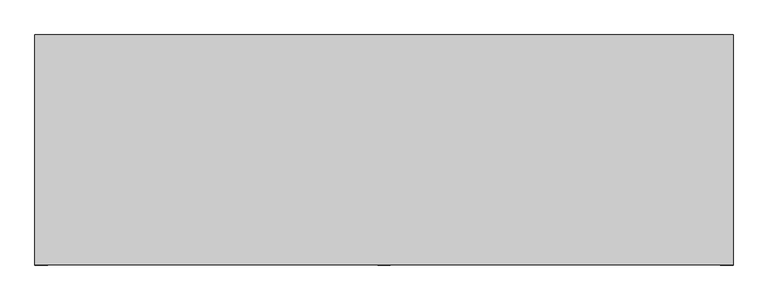
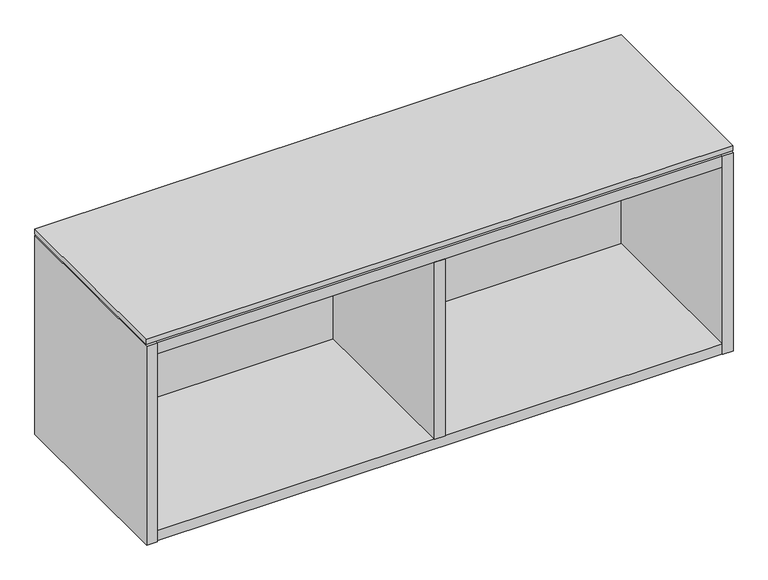
"""IFC4 building model written with IfcOpenShell, lengths in millimetres: furniture geometry."""

import ifcopenshell
import ifcopenshell.guid

model = None  # the IFC model being written
_history = None  # IfcOwnerHistory: only IFC2X3 demands one
_inside = {}  # id of a spatial element -> (the spatial element, [elements in it])
_under = {}  # id of a project, library or spatial element -> (it, [spatial elements below it])
_declared = {}  # id of a project -> (the project, [libraries it declares])
_typed = {}  # id of a type object -> (the type object, [elements of that type])
_made_of = {}  # id of a material, layer set ... -> (it, [elements and type objects made of it])


def new_model(schema):
    """Start an empty IFC model of exactly this schema.

    Asked for "IFC4X3", IfcOpenShell would pick the latest addendum, in which some entities
    have other attributes; the version numbers below select the first issue.
    IFC2X3 requires an IfcOwnerHistory on every rooted entity: one is made here for all.
    """
    global model, _history
    if schema == "IFC4X3":
        model = ifcopenshell.file(schema_version=(4, 3, 0, 0))
    else:
        model = ifcopenshell.file(schema=schema)
    _inside.clear()
    _under.clear()
    _declared.clear()
    _typed.clear()
    _made_of.clear()
    _history = None
    if model.schema == "IFC2X3":
        org = make("IfcOrganization", Name="unknown")
        user = make(
            "IfcPersonAndOrganization",
            ThePerson=make("IfcPerson", FamilyName="unknown"),
            TheOrganization=org,
        )
        app = make(
            "IfcApplication",
            ApplicationDeveloper=org,
            Version="unknown",
            ApplicationFullName="unknown",
            ApplicationIdentifier="unknown",
        )
        _history = make(
            "IfcOwnerHistory",
            OwningUser=user,
            OwningApplication=app,
            ChangeAction="ADDED",
            CreationDate=0,
        )
    return model


def make(cls, **values):
    """One entity of the class cls with the attributes given. An attribute that is None is left unset."""
    return model.create_entity(
        cls, **{name: value for name, value in values.items() if value is not None}
    )


def rooted(cls, **values):
    """An entity with a GlobalId (a new one), such as an element, a storey or a relation."""
    return make(cls, GlobalId=ifcopenshell.guid.new(), OwnerHistory=_history, **values)


def si_unit(unit_type, name, prefix=None):
    """IfcSIUnit, for example si_unit("LENGTHUNIT", "METRE", prefix="MILLI")."""
    return make("IfcSIUnit", UnitType=unit_type, Prefix=prefix, Name=name)


def assignment(units):
    """IfcUnitAssignment: the units of a project."""
    return None if units is None else make("IfcUnitAssignment", Units=units)


def point(xyz):
    """IfcCartesianPoint."""
    return None if xyz is None else make("IfcCartesianPoint", Coordinates=xyz)


def direction(xyz):
    """IfcDirection."""
    return None if xyz is None else make("IfcDirection", DirectionRatios=xyz)


def frame(location, z_axis=None, x_axis=None):
    """IfcAxis2Placement3D, a coordinate frame: its origin and axes. An axis left out is left unset."""
    return make(
        "IfcAxis2Placement3D",
        Location=point(location),
        Axis=direction(z_axis),
        RefDirection=direction(x_axis),
    )


def origin():
    """The frame at (0, 0, 0) with its axes left unset."""
    return frame((0.0, 0.0, 0.0))


def place(relative_to, where):
    """IfcLocalPlacement: puts the frame where relative to a parent placement (None: the world)."""
    return make(
        "IfcLocalPlacement", PlacementRelTo=relative_to, RelativePlacement=where
    )


def context(
    kind, dimensions, precision=None, world=None, true_north=None, identifier=None
):
    """IfcGeometricRepresentationContext, for example the 3D "Model" context."""
    return make(
        "IfcGeometricRepresentationContext",
        ContextIdentifier=identifier,
        ContextType=kind,
        CoordinateSpaceDimension=dimensions,
        Precision=precision,
        WorldCoordinateSystem=world,
        TrueNorth=true_north,
    )


def project(units=None, contexts=None):
    """IfcProject with its units and contexts."""
    return rooted(
        "IfcProject",
        Name="project",
        RepresentationContexts=contexts,
        UnitsInContext=assignment(units),
    )


def spatial(cls, under=None, at=None, **own):
    """A site, building, storey or space (cls), placed at a placement, below another one or the project."""
    s = rooted(cls, ObjectPlacement=at, **own)
    if under is not None:
        _under.setdefault(under.id(), (under, []))[1].append(s)
    return s


def polyline(points):
    """IfcPolyline through the points."""
    return make("IfcPolyline", Points=[point(p) for p in points])


def outline(outer, holes=None, kind="AREA"):
    """IfcArbitraryClosedProfileDef: a profile drawn as a closed curve; with holes, ...WithVoids."""
    if holes is None:
        return make("IfcArbitraryClosedProfileDef", ProfileType=kind, OuterCurve=outer)
    return make(
        "IfcArbitraryProfileDefWithVoids",
        ProfileType=kind,
        OuterCurve=outer,
        InnerCurves=holes,
    )


def extrude(swept, where, along, depth):
    """IfcExtrudedAreaSolid: the profile swept, set in the frame where, extruded along a direction by depth."""
    return make(
        "IfcExtrudedAreaSolid",
        SweptArea=swept,
        Position=where,
        ExtrudedDirection=direction(along),
        Depth=depth,
    )


def faces_of(points, faces, orient=None, outer=None):
    """IfcFace entities. A face is a list of loops; a loop is a list of indices into points, from 0.

    orient and outer hold one flag for each loop. By default every Orientation is true, the
    first loop of a face is its IfcFaceOuterBound and the others are IfcFaceBound.
    """
    made = []
    for i, loops in enumerate(faces):
        bounds = []
        for j, loop in enumerate(loops):
            is_outer = j == 0 if outer is None else outer[i][j]
            bounds.append(
                make(
                    "IfcFaceOuterBound" if is_outer else "IfcFaceBound",
                    Bound=make("IfcPolyLoop", Polygon=[points[k] for k in loop]),
                    Orientation=True if orient is None else orient[i][j],
                )
            )
        made.append(make("IfcFace", Bounds=bounds))
    return made


def faceted_brep(points, faces, orient=None, outer=None, voids=None):
    """IfcFacetedBrep: a solid bounded by flat faces; with voids (closed shells), ...WithVoids."""
    shared = [point(p) for p in points]
    hull = make("IfcClosedShell", CfsFaces=faces_of(shared, faces, orient, outer))
    if voids is None:
        return make("IfcFacetedBrep", Outer=hull)
    return make(
        "IfcFacetedBrepWithVoids",
        Outer=hull,
        Voids=[
            make(cls, CfsFaces=faces_of(shared, fs, o, b)) for cls, fs, o, b in voids
        ],
    )


def shape(context_of_items, identifier, shape_type, items):
    """IfcShapeRepresentation: the items that make up one representation, for example the "Body"."""
    return make(
        "IfcShapeRepresentation",
        ContextOfItems=context_of_items,
        RepresentationIdentifier=identifier,
        RepresentationType=shape_type,
        Items=items,
    )


def source(mapping_origin, context_of_items, identifier, shape_type, items):
    """IfcRepresentationMap: a shape defined once, which mapped items show again and again."""
    return make(
        "IfcRepresentationMap",
        MappingOrigin=mapping_origin,
        MappedRepresentation=shape(context_of_items, identifier, shape_type, items),
    )


def transform(
    local_origin,
    x_axis=None,
    y_axis=None,
    z_axis=None,
    scale=None,
    scale2=None,
    scale3=None,
    uniform=True,
):
    """IfcCartesianTransformationOperator3D, or its non-uniform kind. x_axis, y_axis, z_axis: its Axis1, 2, 3."""
    if uniform:
        return make(
            "IfcCartesianTransformationOperator3D",
            Axis1=direction(x_axis),
            Axis2=direction(y_axis),
            LocalOrigin=point(local_origin),
            Scale=scale,
            Axis3=direction(z_axis),
        )
    return make(
        "IfcCartesianTransformationOperator3DnonUniform",
        Axis1=direction(x_axis),
        Axis2=direction(y_axis),
        LocalOrigin=point(local_origin),
        Scale=scale,
        Axis3=direction(z_axis),
        Scale2=scale2,
        Scale3=scale3,
    )


def mapped(mapping_source, mapping_target):
    """IfcMappedItem: shows the shape of a source again, moved by a transform."""
    return make(
        "IfcMappedItem", MappingSource=mapping_source, MappingTarget=mapping_target
    )


def made_of(thing, what):
    """Note that an element or type object is made of a material, layer set ...; save() writes the relation."""
    if what is not None:
        _made_of.setdefault(what.id(), (what, []))[1].append(thing)
    return thing


def element(
    cls,
    number,
    at=None,
    inside=None,
    cuts=None,
    type_object=None,
    material=None,
    context=None,
    identifier="Body",
    shape_type=None,
    held_by="IfcProductDefinitionShape",
    body=None,
    shapes=None,
    **own,
):
    """One element of the class cls, such as IfcWall. Its Tag is "e" and its number.

    at: its placement. inside: the storey or other place that contains it. cuts: it is an
    opening in that element (IfcRelVoidsElement). A single representation is given by context,
    identifier, shape_type and body (its items); several are given by shapes. held_by: the class
    of the entity that holds the representations. save() writes the other relations.
    """
    e = rooted(cls, Tag="e%d" % number, ObjectPlacement=at, **own)
    if body is not None:
        shapes = [shape(context, identifier, shape_type, body)]
    if shapes is not None:
        e.Representation = make(held_by, Representations=shapes)
    if inside is not None:
        _inside.setdefault(inside.id(), (inside, []))[1].append(e)
    if cuts is not None:
        rooted(
            "IfcRelVoidsElement", RelatingBuildingElement=cuts, RelatedOpeningElement=e
        )
    if type_object is not None:
        _typed.setdefault(type_object.id(), (type_object, []))[1].append(e)
    return made_of(e, material)


def aggregate(whole, parts):
    """IfcRelAggregates: a whole, such as a stair, and the parts it consists of."""
    return rooted("IfcRelAggregates", RelatingObject=whole, RelatedObjects=parts)


def save(model, path):
    """Write the relations noted so far, then the file.

    IfcRelAggregates (storeys below a building ...), IfcRelContainedInSpatialStructure (elements
    in a storey), IfcRelDefinesByType, IfcRelAssociatesMaterial and IfcRelDeclares: one each for
    every whole, place, type object, material and project.
    """
    for whole, parts in _under.values():
        aggregate(whole, parts)
    for where, things in _inside.values():
        rooted(
            "IfcRelContainedInSpatialStructure",
            RelatedElements=things,
            RelatingStructure=where,
        )
    for kind, things in _typed.values():
        rooted("IfcRelDefinesByType", RelatedObjects=things, RelatingType=kind)
    for what, things in _made_of.values():
        rooted("IfcRelAssociatesMaterial", RelatedObjects=things, RelatingMaterial=what)
    for by, libraries in _declared.values():
        rooted("IfcRelDeclares", RelatingContext=by, RelatedDefinitions=libraries)
    model.write(path)


def furniture_131617eb(model_context):
    return source(origin(), model_context, "Body", "SolidModel", [
        extrude(outline(polyline([(606.6234375, -191.0115724), (-457.2, -191.0115724), (-457.2, 158.8226276), (606.6234375, 158.8226276), (606.6234375, -191.0115724)])), frame((0.0, 0.0, 689.102), z_axis=(0.0, 0.0, 1.0), x_axis=(1.0, 0.0, 0.0)), (0.0, 0.0, 1.0), 9.779),
        extrude(outline(polyline([(-437.896, 145.5282676), (-437.896, 158.8226276), (587.3194375, 158.8226276), (587.3194375, 145.5282676), (-437.896, 145.5282676)])), frame((0.0, 0.0, 587.91475), z_axis=(0.0, 0.0, 1.0), x_axis=(1.0, 0.0, 0.0)), (0.0, 0.0, 1.0), 76.2),
        extrude(outline(polyline([(84.3637187, -191.7735724), (65.0597187, -191.7735724), (65.0597187, 126.2242676), (84.3637187, 126.2242676), (84.3637187, -191.7735724)])), frame((0.0, 0.0, 324.866), z_axis=(0.0, 0.0, 1.0), x_axis=(1.0, 0.0, 0.0)), (0.0, 0.0, 1.0), 339.24875),
        faceted_brep([(587.3194375, -191.0115724, 324.866), (-437.896, -191.0115724, 324.866), (-437.896, -191.0115724, 305.562), (587.3194375, -191.0115724, 305.562), (-437.896, 145.5282676, 664.11475), (587.3194375, 145.5282676, 664.11475), (587.3194375, 145.5282676, 304.8), (-437.896, 145.5282676, 304.8), (587.3194375, 126.2242676, 324.866), (-437.896, 126.2242676, 324.866), (-437.896, 126.2242676, 305.562), (587.3194375, 126.2242676, 305.562), (-437.896, 158.8226276, 685.8), (-457.2, 158.8226276, 685.8), (-457.2, -191.7735724, 685.8), (-437.896, -191.7735724, 685.8), (587.3194375, -191.7735724, 685.8), (606.6234375, -191.7735724, 685.8), (606.6234375, 158.8226276, 685.8), (587.3194375, 158.8226276, 685.8), (-437.896, -191.7735724, 304.8), (-457.2, -191.7735724, 304.8), (-457.2, 158.8226276, 304.8), (-437.896, 158.8226276, 304.8), (587.3194375, 158.8226276, 304.8), (606.6234375, 158.8226276, 304.8), (606.6234375, -191.7735724, 304.8), (587.3194375, -191.7735724, 304.8), (587.3194375, 126.2242676, 304.8), (-437.896, 126.2242676, 304.8), (-437.896, 158.8226276, 685.038), (587.3194375, 158.8226276, 685.038), (587.3194375, 158.8226276, 664.11475), (-437.896, 158.8226276, 664.11475), (-437.896, 126.2242676, 664.11475), (-437.896, -191.0115724, 664.11475), (-437.896, -191.0115724, 685.038), (587.3194375, -191.0115724, 685.038), (587.3194375, -191.0115724, 664.11475), (587.3194375, 126.2242676, 664.11475)], [[[0, 1, 2, 3]], [[4, 5, 6, 7]], [[1, 0, 8, 9]], [[3, 2, 10, 11]], [[12, 13, 14, 15]], [[16, 17, 18, 19]], [[20, 21, 22, 23, 7, 6, 24, 25, 26, 27, 28, 29]], [[13, 12, 30, 31, 19, 18, 25, 24, 32, 33, 23, 22]], [[14, 13, 22, 21]], [[15, 14, 21, 20]], [[4, 7, 23, 33]], [[12, 15, 20, 29, 10, 2, 1, 9, 34, 35, 36, 30]], [[6, 5, 32, 24]], [[16, 19, 31, 37, 38, 39, 8, 0, 3, 11, 28, 27]], [[17, 16, 27, 26]], [[18, 17, 26, 25]], [[37, 36, 35, 38]], [[36, 37, 31, 30]], [[33, 32, 5, 4]], [[38, 35, 34, 39]], [[9, 8, 39, 34]], [[29, 28, 11, 10]]]),
    ])


if __name__ == "__main__":
    model = new_model("IFC4")
    model_context = context("Model", 3, world=origin())
    ifc_project = project(units=[si_unit("LENGTHUNIT", "METRE", prefix="MILLI")], contexts=[model_context])
    site = spatial("IfcSite", under=ifc_project)
    building = spatial("IfcBuilding", under=site)
    placement = place(None, origin())
    furniture_shape = furniture_131617eb(model_context)
    element("IfcFurniture", 1, at=placement, inside=building, context=model_context, shape_type="MappedRepresentation", body=[
        mapped(furniture_shape, transform((0.0, 0.0, 0.0), x_axis=(1.0, 0.0, 0.0), y_axis=(0.0, 1.0, 0.0), z_axis=(0.0, 0.0, 1.0))),
    ])
    save(model, "model.ifc")
